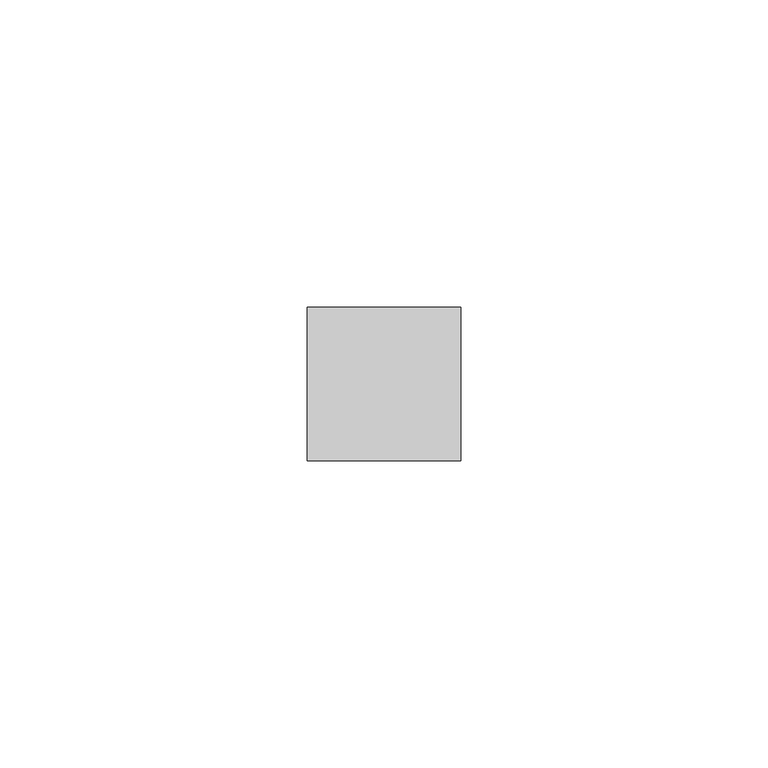
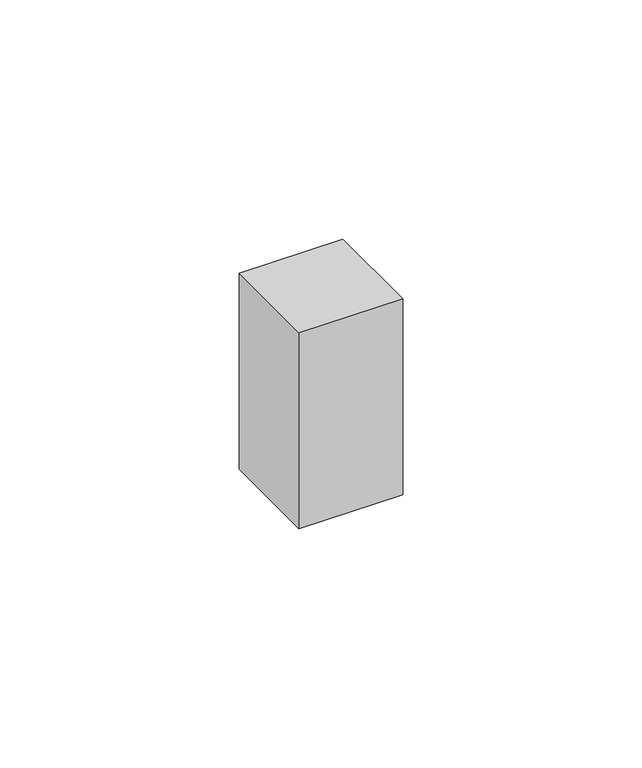
"""IFC4 building model written with IfcOpenShell, lengths in millimetres: proxy geometry."""

from ifc_helpers import new_model, si_unit, frame, origin, place, context, project, spatial, polyline, outline, extrude, source, transform, mapped, element, save


def generic_models_b40c8579(model_context):
    return source(origin(), model_context, "Body", "SweptSolid", [
        extrude(outline(polyline([(25.0, 25.0), (25.0, 0.0), (0.0, 0.0), (0.0, 25.0), (25.0, 25.0)])), frame((0.0, 0.0, 40.0), z_axis=(0.0, 0.0, 1.0), x_axis=(1.0, 0.0, 0.0)), (0.0, 0.0, 1.0), 50.0),
    ])


if __name__ == "__main__":
    model = new_model("IFC4")
    model_context = context("Model", 3, world=origin())
    ifc_project = project(units=[si_unit("LENGTHUNIT", "METRE", prefix="MILLI")], contexts=[model_context])
    site = spatial("IfcSite", under=ifc_project)
    building = spatial("IfcBuilding", under=site)
    placement = place(None, origin())
    generic_models_shape = generic_models_b40c8579(model_context)
    element("IfcBuildingElementProxy", 1, Name="Generic Models", at=placement, inside=building, context=model_context, shape_type="MappedRepresentation", body=[
        mapped(generic_models_shape, transform((0.0, 0.0, 0.0), x_axis=(1.0, 0.0, 0.0), y_axis=(0.0, 1.0, 0.0), z_axis=(0.0, 0.0, 1.0))),
    ])
    save(model, "model.ifc")
